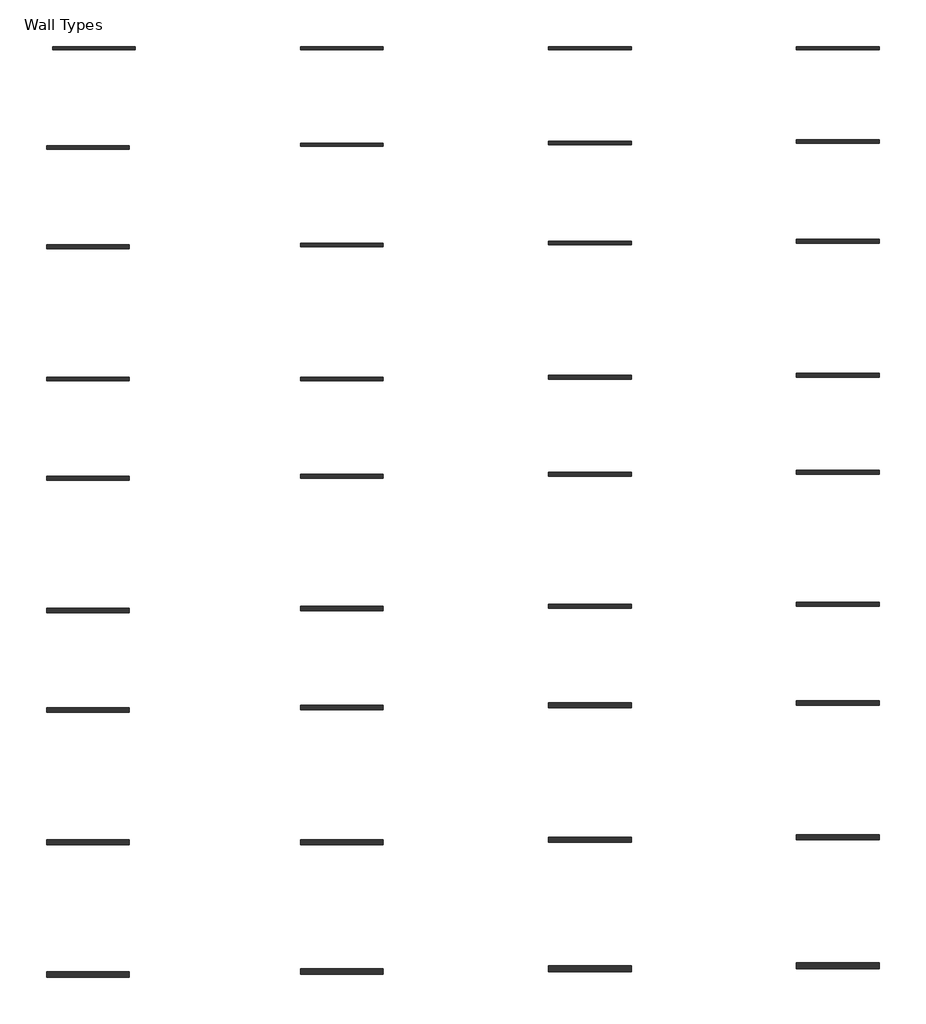
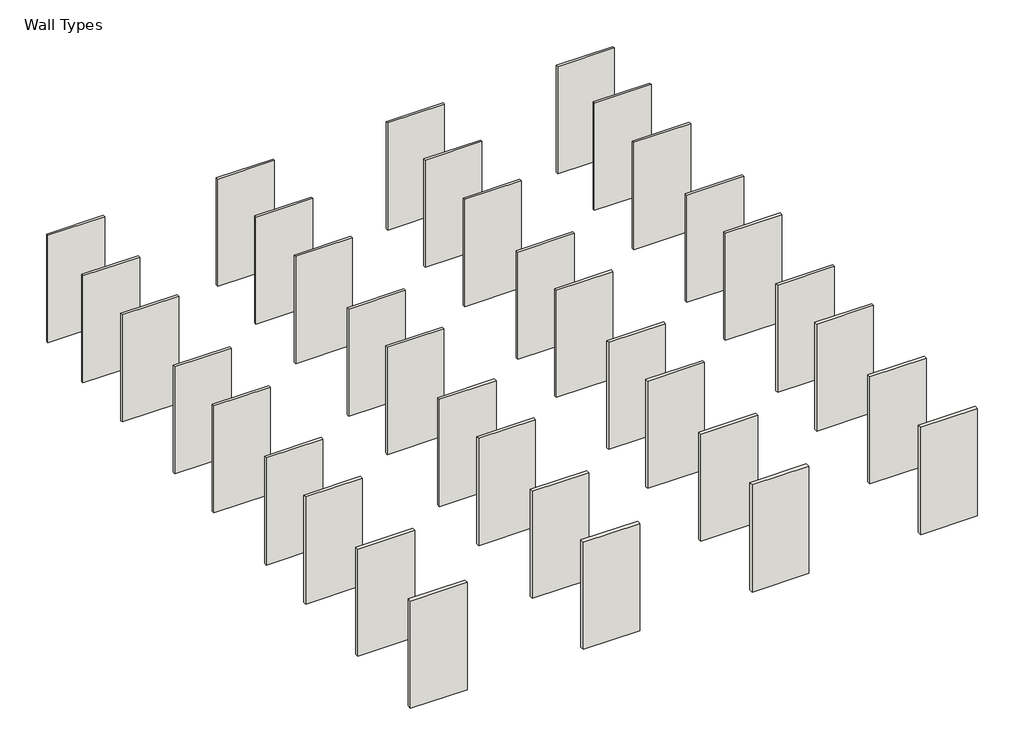
# One storey: 36 walls.
"""IFC4 building model written with IfcOpenShell, lengths in millimetres."""

from ifc_helpers import new_model, si_unit, origin, origin_with_axes, place, context, project, spatial, polyline, outline, extrude, element, save

model = new_model("IFC4")

# Units and contexts
model_context = context("Model", 3, world=origin())
ifc_project = project(units=[si_unit("LENGTHUNIT", "METRE", prefix="MILLI")], contexts=[model_context])

# Site, building, storey
site = spatial("IfcSite", under=ifc_project)
building = spatial("IfcBuilding", under=site)
storey = spatial("IfcBuildingStorey", under=building, Name="Wall Types", Elevation=0.0)

# Walls
placement = place(None, origin())
element("IfcWall", 1, at=placement, inside=storey, context=model_context, shape_type="SweptSolid", body=[
    extrude(outline(polyline([(-7796.6468887, 8378.3628349), (-10844.6468887, 8378.3628349), (-10844.6468887, 8502.1878349), (-7796.6468887, 8502.1878349), (-7796.6468887, 8378.3628349)])), origin_with_axes(), (0.0, 0.0, 1.0), 6096.0),
])
element("IfcWall", 2, at=placement, inside=storey, context=model_context, shape_type="SweptSolid", body=[
    extrude(outline(polyline([(1347.3531113, 8378.3628349), (-1700.6468887, 8378.3628349), (-1700.6468887, 8502.1878349), (1347.3531113, 8502.1878349), (1347.3531113, 8378.3628349)])), origin_with_axes(), (0.0, 0.0, 1.0), 6096.0),
])
element("IfcWall", 3, at=placement, inside=storey, context=model_context, shape_type="SweptSolid", body=[
    extrude(outline(polyline([(10491.3531113, 8378.3628349), (7443.3531113, 8378.3628349), (7443.3531113, 8502.1878349), (10491.3531113, 8502.1878349), (10491.3531113, 8378.3628349)])), origin_with_axes(), (0.0, 0.0, 1.0), 6096.0),
])
element("IfcWall", 4, at=placement, inside=storey, context=model_context, shape_type="SweptSolid", body=[
    extrude(outline(polyline([(19635.3531113, 8378.3628349), (16587.3531113, 8378.3628349), (16587.3531113, 8502.1878349), (19635.3531113, 8502.1878349), (19635.3531113, 8378.3628349)])), origin_with_axes(), (0.0, 0.0, 1.0), 6096.0),
])
element("IfcWall", 5, at=placement, inside=storey, context=model_context, shape_type="SweptSolid", body=[
    extrude(outline(polyline([(-8021.5220372, 4720.7628349), (-11069.5220372, 4720.7628349), (-11069.5220372, 4844.5878349), (-8021.5220372, 4844.5878349), (-8021.5220372, 4720.7628349)])), origin_with_axes(), (0.0, 0.0, 1.0), 6096.0),
])
element("IfcWall", 6, at=placement, inside=storey, context=model_context, shape_type="SweptSolid", body=[
    extrude(outline(polyline([(1347.3531113, 4819.3069869), (-1700.6468887, 4819.3069869), (-1700.6468887, 4943.1319869), (1347.3531113, 4943.1319869), (1347.3531113, 4819.3069869)])), origin_with_axes(), (0.0, 0.0, 1.0), 6096.0),
])
element("IfcWall", 7, at=placement, inside=storey, context=model_context, shape_type="SweptSolid", body=[
    extrude(outline(polyline([(10491.3531113, 4881.2194869), (7443.3531113, 4881.2194869), (7443.3531113, 5005.0444869), (10491.3531113, 5005.0444869), (10491.3531113, 4881.2194869)])), origin_with_axes(), (0.0, 0.0, 1.0), 6096.0),
])
element("IfcWall", 8, at=placement, inside=storey, context=model_context, shape_type="SweptSolid", body=[
    extrude(outline(polyline([(19635.3531113, 4943.1319869), (16587.3531113, 4943.1319869), (16587.3531113, 5066.9569869), (19635.3531113, 5066.9569869), (19635.3531113, 4943.1319869)])), origin_with_axes(), (0.0, 0.0, 1.0), 6096.0),
])
element("IfcWall", 9, at=placement, inside=storey, context=model_context, shape_type="SweptSolid", body=[
    extrude(outline(polyline([(-8021.5220372, 1056.8128349), (-11069.5220372, 1056.8128349), (-11069.5220372, 1193.3378349), (-8021.5220372, 1193.3378349), (-8021.5220372, 1056.8128349)])), origin_with_axes(), (0.0, 0.0, 1.0), 6096.0),
])
element("IfcWall", 10, at=placement, inside=storey, context=model_context, shape_type="SweptSolid", body=[
    extrude(outline(polyline([(1347.3531113, 1125.0753349), (-1700.6468887, 1125.0753349), (-1700.6468887, 1261.6003349), (1347.3531113, 1261.6003349), (1347.3531113, 1125.0753349)])), origin_with_axes(), (0.0, 0.0, 1.0), 6096.0),
])
element("IfcWall", 11, at=placement, inside=storey, context=model_context, shape_type="SweptSolid", body=[
    extrude(outline(polyline([(10491.3531113, 1193.3378349), (7443.3531113, 1193.3378349), (7443.3531113, 1329.8628349), (10491.3531113, 1329.8628349), (10491.3531113, 1193.3378349)])), origin_with_axes(), (0.0, 0.0, 1.0), 6096.0),
])
element("IfcWall", 12, at=placement, inside=storey, context=model_context, shape_type="SweptSolid", body=[
    extrude(outline(polyline([(19635.3531113, 1261.6003349), (16587.3531113, 1261.6003349), (16587.3531113, 1398.1253349), (19635.3531113, 1398.1253349), (19635.3531113, 1261.6003349)])), origin_with_axes(), (0.0, 0.0, 1.0), 6096.0),
])
element("IfcWall", 13, at=placement, inside=storey, context=model_context, shape_type="SweptSolid", body=[
    extrude(outline(polyline([(-8021.5220372, -3821.5746651), (-11069.5220372, -3821.5746651), (-11069.5220372, -3681.8746651), (-8021.5220372, -3681.8746651), (-8021.5220372, -3821.5746651)])), origin_with_axes(), (0.0, 0.0, 1.0), 6096.0),
])
element("IfcWall", 14, at=placement, inside=storey, context=model_context, shape_type="SweptSolid", body=[
    extrude(outline(polyline([(1347.3531113, -3821.5746651), (-1700.6468887, -3821.5746651), (-1700.6468887, -3681.8746651), (1347.3531113, -3681.8746651), (1347.3531113, -3821.5746651)])), origin_with_axes(), (0.0, 0.0, 1.0), 6096.0),
])
element("IfcWall", 15, at=placement, inside=storey, context=model_context, shape_type="SweptSolid", body=[
    extrude(outline(polyline([(10491.3531113, -3751.7246651), (7443.3531113, -3751.7246651), (7443.3531113, -3612.0246651), (10491.3531113, -3612.0246651), (10491.3531113, -3751.7246651)])), origin_with_axes(), (0.0, 0.0, 1.0), 6096.0),
])
element("IfcWall", 16, at=placement, inside=storey, context=model_context, shape_type="SweptSolid", body=[
    extrude(outline(polyline([(19635.3531113, -3681.8746651), (16587.3531113, -3681.8746651), (16587.3531113, -3542.1746651), (19635.3531113, -3542.1746651), (19635.3531113, -3681.8746651)])), origin_with_axes(), (0.0, 0.0, 1.0), 6096.0),
])
element("IfcWall", 17, at=placement, inside=storey, context=model_context, shape_type="SweptSolid", body=[
    extrude(outline(polyline([(-8021.5220372, -7479.1746651), (-11069.5220372, -7479.1746651), (-11069.5220372, -7339.4746651), (-8021.5220372, -7339.4746651), (-8021.5220372, -7479.1746651)])), origin_with_axes(), (0.0, 0.0, 1.0), 6096.0),
])
element("IfcWall", 18, at=placement, inside=storey, context=model_context, shape_type="SweptSolid", body=[
    extrude(outline(polyline([(1347.3531113, -7409.3246651), (-1700.6468887, -7409.3246651), (-1700.6468887, -7256.9246651), (1347.3531113, -7256.9246651), (1347.3531113, -7409.3246651)])), origin_with_axes(), (0.0, 0.0, 1.0), 6096.0),
])
element("IfcWall", 19, at=placement, inside=storey, context=model_context, shape_type="SweptSolid", body=[
    extrude(outline(polyline([(10491.3531113, -7333.1246651), (7443.3531113, -7333.1246651), (7443.3531113, -7180.7246651), (10491.3531113, -7180.7246651), (10491.3531113, -7333.1246651)])), origin_with_axes(), (0.0, 0.0, 1.0), 6096.0),
])
element("IfcWall", 20, at=placement, inside=storey, context=model_context, shape_type="SweptSolid", body=[
    extrude(outline(polyline([(19635.3531113, -7256.9246651), (16587.3531113, -7256.9246651), (16587.3531113, -7104.5246651), (19635.3531113, -7104.5246651), (19635.3531113, -7256.9246651)])), origin_with_axes(), (0.0, 0.0, 1.0), 6096.0),
])
element("IfcWall", 21, at=placement, inside=storey, context=model_context, shape_type="SweptSolid", body=[
    extrude(outline(polyline([(-8021.5220372, -12363.9121651), (-11069.5220372, -12363.9121651), (-11069.5220372, -12208.3371651), (-8021.5220372, -12208.3371651), (-8021.5220372, -12363.9121651)])), origin_with_axes(), (0.0, 0.0, 1.0), 6096.0),
])
element("IfcWall", 22, at=placement, inside=storey, context=model_context, shape_type="SweptSolid", body=[
    extrude(outline(polyline([(1347.3531113, -12286.1246651), (-1700.6468887, -12286.1246651), (-1700.6468887, -12130.5496651), (1347.3531113, -12130.5496651), (1347.3531113, -12286.1246651)])), origin_with_axes(), (0.0, 0.0, 1.0), 6096.0),
])
element("IfcWall", 23, at=placement, inside=storey, context=model_context, shape_type="SweptSolid", body=[
    extrude(outline(polyline([(10491.3531113, -12208.3371651), (7443.3531113, -12208.3371651), (7443.3531113, -12052.7621651), (10491.3531113, -12052.7621651), (10491.3531113, -12208.3371651)])), origin_with_axes(), (0.0, 0.0, 1.0), 6096.0),
])
element("IfcWall", 24, at=placement, inside=storey, context=model_context, shape_type="SweptSolid", body=[
    extrude(outline(polyline([(19635.3531113, -12130.5496651), (16587.3531113, -12130.5496651), (16587.3531113, -11974.9746651), (19635.3531113, -11974.9746651), (19635.3531113, -12130.5496651)])), origin_with_axes(), (0.0, 0.0, 1.0), 6096.0),
])
element("IfcWall", 25, at=placement, inside=storey, context=model_context, shape_type="SweptSolid", body=[
    extrude(outline(polyline([(-8021.5220372, -16027.8621651), (-11069.5220372, -16027.8621651), (-11069.5220372, -15859.5871651), (-8021.5220372, -15859.5871651), (-8021.5220372, -16027.8621651)])), origin_with_axes(), (0.0, 0.0, 1.0), 6096.0),
])
element("IfcWall", 26, at=placement, inside=storey, context=model_context, shape_type="SweptSolid", body=[
    extrude(outline(polyline([(1347.3531113, -15943.7246651), (-1700.6468887, -15943.7246651), (-1700.6468887, -15775.4496651), (1347.3531113, -15775.4496651), (1347.3531113, -15943.7246651)])), origin_with_axes(), (0.0, 0.0, 1.0), 6096.0),
])
element("IfcWall", 27, at=placement, inside=storey, context=model_context, shape_type="SweptSolid", body=[
    extrude(outline(polyline([(10491.3531113, -15859.5871651), (7443.3531113, -15859.5871651), (7443.3531113, -15691.3121651), (10491.3531113, -15691.3121651), (10491.3531113, -15859.5871651)])), origin_with_axes(), (0.0, 0.0, 1.0), 6096.0),
])
element("IfcWall", 28, at=placement, inside=storey, context=model_context, shape_type="SweptSolid", body=[
    extrude(outline(polyline([(19635.3531113, -15775.4496651), (16587.3531113, -15775.4496651), (16587.3531113, -15607.1746651), (19635.3531113, -15607.1746651), (19635.3531113, -15775.4496651)])), origin_with_axes(), (0.0, 0.0, 1.0), 6096.0),
])
element("IfcWall", 29, at=placement, inside=storey, context=model_context, shape_type="SweptSolid", body=[
    extrude(outline(polyline([(-8021.5220372, -20914.1871651), (-11069.5220372, -20914.1871651), (-11069.5220372, -20726.8621651), (-8021.5220372, -20726.8621651), (-8021.5220372, -20914.1871651)])), origin_with_axes(), (0.0, 0.0, 1.0), 6096.0),
])
element("IfcWall", 30, at=placement, inside=storey, context=model_context, shape_type="SweptSolid", body=[
    extrude(outline(polyline([(1347.3531113, -20914.1871651), (-1700.6468887, -20914.1871651), (-1700.6468887, -20726.8621651), (1347.3531113, -20726.8621651), (1347.3531113, -20914.1871651)])), origin_with_axes(), (0.0, 0.0, 1.0), 6096.0),
])
element("IfcWall", 31, at=placement, inside=storey, context=model_context, shape_type="SweptSolid", body=[
    extrude(outline(polyline([(10491.3531113, -20820.5246651), (7443.3531113, -20820.5246651), (7443.3531113, -20633.1996651), (10491.3531113, -20633.1996651), (10491.3531113, -20820.5246651)])), origin_with_axes(), (0.0, 0.0, 1.0), 6096.0),
])
element("IfcWall", 32, at=placement, inside=storey, context=model_context, shape_type="SweptSolid", body=[
    extrude(outline(polyline([(19635.3531113, -20726.8621651), (16587.3531113, -20726.8621651), (16587.3531113, -20539.5371651), (19635.3531113, -20539.5371651), (19635.3531113, -20726.8621651)])), origin_with_axes(), (0.0, 0.0, 1.0), 6096.0),
])
element("IfcWall", 33, at=placement, inside=storey, context=model_context, shape_type="SweptSolid", body=[
    extrude(outline(polyline([(-8021.5220372, -25806.8621651), (-11069.5220372, -25806.8621651), (-11069.5220372, -25587.7871651), (-8021.5220372, -25587.7871651), (-8021.5220372, -25806.8621651)])), origin_with_axes(), (0.0, 0.0, 1.0), 6096.0),
])
element("IfcWall", 34, at=placement, inside=storey, context=model_context, shape_type="SweptSolid", body=[
    extrude(outline(polyline([(1347.3531113, -25697.3246651), (-1700.6468887, -25697.3246651), (-1700.6468887, -25478.2496651), (1347.3531113, -25478.2496651), (1347.3531113, -25697.3246651)])), origin_with_axes(), (0.0, 0.0, 1.0), 6096.0),
])
element("IfcWall", 35, at=placement, inside=storey, context=model_context, shape_type="SweptSolid", body=[
    extrude(outline(polyline([(10491.3531113, -25587.7871651), (7443.3531113, -25587.7871651), (7443.3531113, -25368.7121651), (10491.3531113, -25368.7121651), (10491.3531113, -25587.7871651)])), origin_with_axes(), (0.0, 0.0, 1.0), 6096.0),
])
element("IfcWall", 36, at=placement, inside=storey, context=model_context, shape_type="SweptSolid", body=[
    extrude(outline(polyline([(19635.3531113, -25478.2496651), (16587.3531113, -25478.2496651), (16587.3531113, -25259.1746651), (19635.3531113, -25259.1746651), (19635.3531113, -25478.2496651)])), origin_with_axes(), (0.0, 0.0, 1.0), 6096.0),
])

save(model, "model.ifc")
